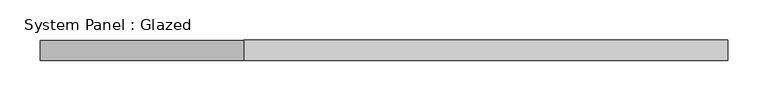
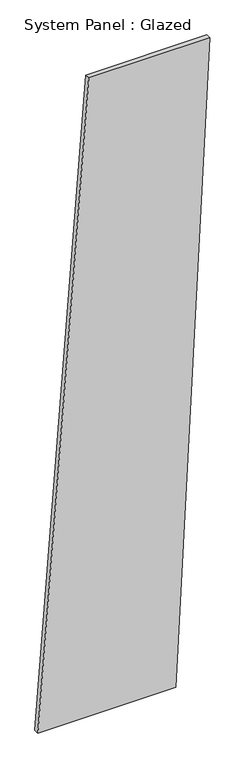
"""IFC4 building model written with IfcOpenShell, lengths in millimetres: plate geometry, System Panel : Glazed."""

from ifc_helpers import new_model, si_unit, frame, origin, place, context, project, spatial, polyline, outline, extrude, source, transform, mapped, element, save


def system_panel_glazed_a16b3e17(model_context):
    return source(origin(), model_context, "Body", "SweptSolid", [
        extrude(outline(polyline([(0.0, -426.0287087), (0.0, 257.9904304), (3341.4626538, 426.0287087), (3341.4626538, -173.9712913), (0.0, -426.0287087)])), frame((0.0, -49.5, 0.0), z_axis=(0.0, 1.0, 0.0), x_axis=(0.0, 0.0, 1.0)), (0.0, 0.0, 1.0), 25.0),
    ])


if __name__ == "__main__":
    model = new_model("IFC4")
    model_context = context("Model", 3, world=origin())
    ifc_project = project(units=[si_unit("LENGTHUNIT", "METRE", prefix="MILLI")], contexts=[model_context])
    site = spatial("IfcSite", under=ifc_project)
    building = spatial("IfcBuilding", under=site)
    placement = place(None, origin())
    system_panel_glazed_shape = system_panel_glazed_a16b3e17(model_context)
    element("IfcPlate", 1, ObjectType="System Panel : Glazed", at=placement, inside=building, context=model_context, shape_type="MappedRepresentation", body=[
        mapped(system_panel_glazed_shape, transform((0.0, 0.0, 0.0), x_axis=(1.0, 0.0, 0.0), y_axis=(0.0, 1.0, 0.0), z_axis=(0.0, 0.0, 1.0))),
    ])
    save(model, "model.ifc")
